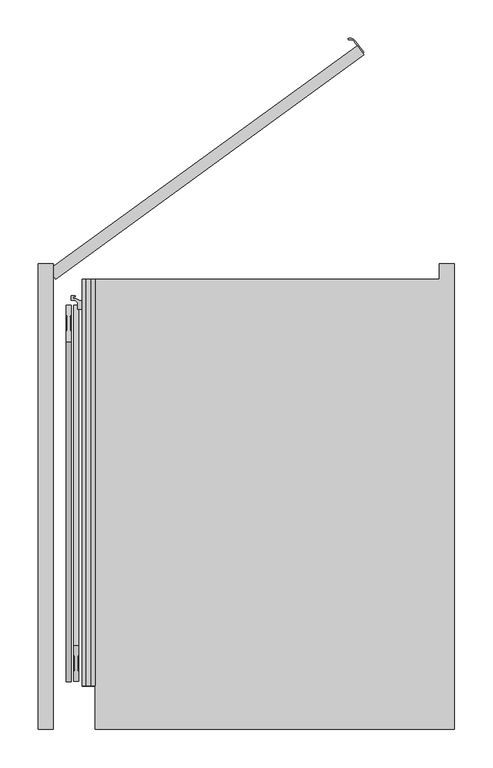
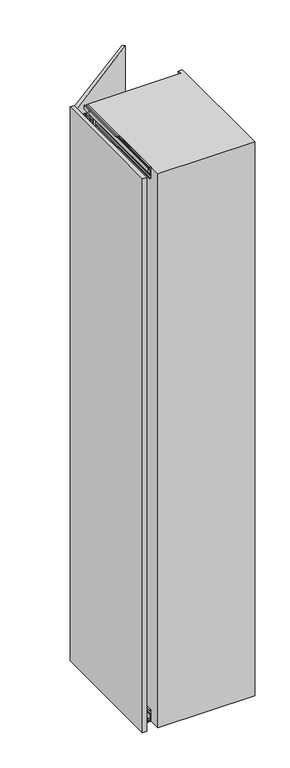
"""IFC4 building model written with IfcOpenShell, lengths in millimetres: furniture geometry."""

from ifc_helpers import new_model, si_unit, point, frame, frame_2d, origin, origin_with_axes, place, context, project, spatial, polyline, circle_curve, trimmed, segment, composite_curve, outline, extrude, faceted_brep, source, transform, mapped, element, save


def furniture_c6e41f44(model_context):
    return source(origin(), model_context, "Body", "SolidModel", [
        extrude(outline(composite_curve([segment(polyline([(350.7451414, 296.3196771), (339.8600452, 311.3017268)]), True, "CONTINUOUS"), segment(trimmed(circle_curve(frame_2d((334.2088338, 307.1958814)), 6.9852814), [point((339.8600452, 311.3017268))], [point((331.7055329, 313.7172034))], True, "CARTESIAN"), True, "CONTINUOUS"), segment(polyline([(331.7055329, 313.7172034), (331.167981, 315.117574)]), True, "CONTINUOUS"), segment(trimmed(circle_curve(frame_2d((334.2088338, 307.1958814)), 8.4852814), [point((331.167981, 315.117574))], [point((341.0735707, 312.1834047))], False, "CARTESIAN"), True, "CONTINUOUS"), segment(polyline([(341.0735707, 312.1834047), (351.9586669, 297.201355), (350.7451414, 296.3196771)]), True, "CONTINUOUS")], self_intersect=False)), frame((0.0, 0.0, 1110.0), z_axis=(0.0, 0.0, 1.0), x_axis=(1.0, 0.0, 0.0)), (0.0, 0.0, 1.0), 180.0),
        extrude(outline(polyline([(-60.8167788, 12.1352549), (343.6917184, 306.0278811), (352.5084972, 293.8926261), (-52.0, 0.0), (-60.8167788, 12.1352549)])), origin_with_axes(), (0.0, 0.0, 1.0), 2846.0),
        extrude(outline(polyline([(17.0, -17.0), (-2.0, -17.0), (-2.0, -12.75), (0.25, -12.75), (0.25, -15.0), (2.9, -15.0), (2.9, -3.0), (0.25, -3.0), (0.25, -5.25), (-2.0, -5.25), (-2.0, 0.0), (56.5663764, 0.0), (57.0913089, -6.0), (54.1547673, -6.0), (54.1547673, -2.5), (38.5, -2.5), (38.5, -6.0), (35.5, -6.0), (35.5, -3.0104888), (5.5, -3.0104888), (5.5, -15.0), (17.0, -15.0), (17.0, -17.0)])), frame((0.0, -533.0, 0.0), z_axis=(0.0, 1.0, 0.0), x_axis=(0.0, 0.0, 1.0)), (0.0, 0.0, 1.0), 533.0),
        extrude(outline(polyline([(2829.0, -15.0), (2840.5, -15.0), (2840.5, -3.0104888), (2810.5, -3.0104888), (2810.5, -6.0), (2807.5, -6.0), (2807.5, -2.5), (2791.8452327, -2.5), (2791.8452327, -6.0), (2788.9086911, -6.0), (2789.4336236, 0.0), (2848.0, 0.0), (2848.0, -5.25), (2845.75, -5.25), (2845.75, -3.0), (2843.1, -3.0), (2843.1, -15.0), (2845.75, -15.0), (2845.75, -12.75), (2848.0, -12.75), (2848.0, -17.0), (2829.0, -17.0), (2829.0, -15.0)])), frame((0.0, -533.0, 0.0), z_axis=(0.0, 1.0, 0.0), x_axis=(0.0, 0.0, 1.0)), (0.0, 0.0, 1.0), 533.0),
        faceted_brep([(-15.8313044, -44.5, 33.9), (-15.8313044, -44.5, 21.9), (-15.8313044, -68.7, 21.9), (-15.8313044, -68.7, 33.9), (-13.8052444, -68.7, 33.9), (-13.8052444, -68.7, 21.9), (-13.8052444, -44.5, 21.9), (-13.8052444, -44.5, 33.9), (-14.2052444, -68.7, 19.301924), (-14.2052444, -68.7, 21.9), (-14.2052444, -44.5, 21.9), (-14.2052444, -44.5, 19.301924), (-10.2052444, -81.5, 21.9), (-7.7858983, -81.5, 21.9), (-3.8052444, -77.5193461, 21.9), (-3.8052444, -35.5, 21.9), (-7.8052444, -31.5, 21.9), (-10.2052444, -31.5, 21.9), (-14.2052444, -35.5, 21.9), (-14.2052444, -77.5, 21.9), (-3.8052444, -70.0, 9.0920874), (-14.2052444, -70.0, 9.0920874), (-14.2052444, -42.8540496, 9.0920874), (-3.8052444, -42.8540496, 9.0920874), (-14.2052444, -77.5, 14.45), (-10.2052444, -81.5, 14.45), (-14.2052444, -70.0, 14.45), (-14.2052444, -35.5, 14.45), (-14.2052444, -42.8540496, 14.45), (-14.2052444, -64.0, 15.2), (-14.2052444, -64.0, 11.4378021), (-14.2052444, -49.0, 11.4378021), (-14.2052444, -49.0, 15.2), (-10.2052444, -31.5, 14.45), (-7.8052444, -31.5, 14.45), (-3.8052444, -35.5, 14.45), (-3.8052444, -77.5193461, 14.45), (-3.8052444, -70.0, 14.45), (-3.8052444, -42.8540496, 14.45), (-3.8052444, -49.0, 15.2), (-3.8052444, -49.0, 11.4378021), (-3.8052444, -64.0, 11.4378021), (-3.8052444, -64.0, 15.2), (-7.7858983, -81.5, 14.45)], [[[0, 1, 2, 3]], [[4, 5, 6, 7]], [[3, 4, 7, 0]], [[3, 2, 8, 9, 5, 4]], [[7, 6, 10, 11, 1, 0]], [[1, 11, 8, 2]], [[12, 13, 14, 15, 16, 17, 18, 10, 6, 5, 9, 19]], [[20, 21, 22, 23]], [[19, 24, 25, 12]], [[21, 26, 24, 19, 9, 8, 11, 10, 18, 27, 28, 22], [29, 30, 31, 32]], [[17, 33, 27, 18]], [[16, 34, 33, 17]], [[15, 35, 34, 16]], [[14, 36, 37, 20, 23, 38, 35, 15], [39, 40, 41, 42]], [[13, 43, 36, 14]], [[12, 25, 43, 13]], [[37, 36, 43, 25, 24, 26]], [[26, 21, 20, 37]], [[29, 32, 39, 42]], [[42, 41, 30, 29]], [[32, 31, 40, 39]], [[28, 27, 33, 34, 35, 38]], [[38, 23, 22, 28]], [[41, 40, 31, 30]]]),
        extrude(outline(composite_curve([segment(trimmed(circle_curve(frame_2d((-9.0052444, -37.1770248)), 5.75), [point((-9.0052444, -42.9270248))], [point((-9.0052444, -31.4270248))], False, "CARTESIAN"), True, "CONTINUOUS"), segment(trimmed(circle_curve(frame_2d((-9.0052444, -37.1770248)), 5.75), [point((-9.0052444, -31.4270248))], [point((-9.0052444, -42.9270248))], False, "CARTESIAN"), True, "CONTINUOUS")], self_intersect=False)), frame((0.0, 0.0, 6.65), z_axis=(0.0, 0.0, 1.0), x_axis=(1.0, 0.0, 0.0)), (0.0, 0.0, 1.0), 7.3),
        extrude(outline(composite_curve([segment(trimmed(circle_curve(frame_2d((-9.0052444, -56.5)), 5.75), [point((-9.0052444, -62.25))], [point((-9.0052444, -50.75))], False, "CARTESIAN"), True, "CONTINUOUS"), segment(trimmed(circle_curve(frame_2d((-9.0052444, -56.5)), 5.75), [point((-9.0052444, -50.75))], [point((-9.0052444, -62.25))], False, "CARTESIAN"), True, "CONTINUOUS")], self_intersect=False)), frame((0.0, 0.0, 11.4378021), z_axis=(0.0, 0.0, 1.0), x_axis=(1.0, 0.0, 0.0)), (0.0, 0.0, 1.0), 3.7621979),
        extrude(outline(composite_curve([segment(trimmed(circle_curve(frame_2d((-9.0052444, -75.75)), 5.75), [point((-9.0052444, -81.5))], [point((-9.0052444, -70.0))], False, "CARTESIAN"), True, "CONTINUOUS"), segment(trimmed(circle_curve(frame_2d((-9.0052444, -75.75)), 5.75), [point((-9.0052444, -70.0))], [point((-9.0052444, -81.5))], False, "CARTESIAN"), True, "CONTINUOUS")], self_intersect=False)), frame((0.0, 0.0, 6.65), z_axis=(0.0, 0.0, 1.0), x_axis=(1.0, 0.0, 0.0)), (0.0, 0.0, 1.0), 7.3),
        faceted_brep([(-15.8313044, -68.5, 2812.1), (-15.8313044, -68.5, 2824.1), (-15.8313044, -44.3, 2824.1), (-15.8313044, -44.3, 2812.1), (-13.8052444, -44.3, 2812.1), (-13.8052444, -44.3, 2824.1), (-13.8052444, -68.5, 2824.1), (-13.8052444, -68.5, 2812.1), (-14.2052444, -44.3, 2826.698076), (-14.2052444, -44.3, 2824.1), (-14.2052444, -68.5, 2824.1), (-14.2052444, -68.5, 2826.698076), (-10.2052444, -31.5, 2824.1), (-7.7858983, -31.5, 2824.1), (-3.8052444, -35.4806539, 2824.1), (-3.8052444, -77.5, 2824.1), (-7.8052444, -81.5, 2824.1), (-10.2052444, -81.5, 2824.1), (-14.2052444, -77.5, 2824.1), (-14.2052444, -35.5, 2824.1), (-3.8052444, -43.0, 2836.9079126), (-14.2052444, -43.0, 2836.9079126), (-14.2052444, -70.1459504, 2836.9079126), (-3.8052444, -70.1459504, 2836.9079126), (-14.2052444, -35.5, 2831.55), (-10.2052444, -31.5, 2831.55), (-14.2052444, -43.0, 2831.55), (-14.2052444, -77.5, 2831.55), (-14.2052444, -70.1459504, 2831.55), (-14.2052444, -49.0, 2830.8), (-14.2052444, -49.0, 2834.5621979), (-14.2052444, -64.0, 2834.5621979), (-14.2052444, -64.0, 2830.8), (-10.2052444, -81.5, 2831.55), (-7.8052444, -81.5, 2831.55), (-3.8052444, -77.5, 2831.55), (-3.8052444, -35.4806539, 2831.55), (-3.8052444, -43.0, 2831.55), (-3.8052444, -70.1459504, 2831.55), (-3.8052444, -64.0, 2830.8), (-3.8052444, -64.0, 2834.5621979), (-3.8052444, -49.0, 2834.5621979), (-3.8052444, -49.0, 2830.8), (-7.7858983, -31.5, 2831.55)], [[[0, 1, 2, 3]], [[4, 5, 6, 7]], [[3, 4, 7, 0]], [[3, 2, 8, 9, 5, 4]], [[7, 6, 10, 11, 1, 0]], [[1, 11, 8, 2]], [[12, 13, 14, 15, 16, 17, 18, 10, 6, 5, 9, 19]], [[20, 21, 22, 23]], [[19, 24, 25, 12]], [[21, 26, 24, 19, 9, 8, 11, 10, 18, 27, 28, 22], [29, 30, 31, 32]], [[17, 33, 27, 18]], [[16, 34, 33, 17]], [[15, 35, 34, 16]], [[14, 36, 37, 20, 23, 38, 35, 15], [39, 40, 41, 42]], [[13, 43, 36, 14]], [[12, 25, 43, 13]], [[37, 36, 43, 25, 24, 26]], [[26, 21, 20, 37]], [[29, 32, 39, 42]], [[42, 41, 30, 29]], [[32, 31, 40, 39]], [[28, 27, 33, 34, 35, 38]], [[38, 23, 22, 28]], [[41, 40, 31, 30]]]),
        extrude(outline(composite_curve([segment(trimmed(circle_curve(frame_2d((-9.0052444, -75.8229752)), 5.75), [point((-9.0052444, -70.0729752))], [point((-9.0052444, -81.5729752))], False, "CARTESIAN"), True, "CONTINUOUS"), segment(trimmed(circle_curve(frame_2d((-9.0052444, -75.8229752)), 5.75), [point((-9.0052444, -81.5729752))], [point((-9.0052444, -70.0729752))], False, "CARTESIAN"), True, "CONTINUOUS")], self_intersect=False)), frame((0.0, 0.0, 2832.05), z_axis=(0.0, 0.0, 1.0), x_axis=(1.0, 0.0, 0.0)), (0.0, 0.0, 1.0), 7.3),
        extrude(outline(composite_curve([segment(trimmed(circle_curve(frame_2d((-9.0052444, -56.5)), 5.75), [point((-9.0052444, -50.75))], [point((-9.0052444, -62.25))], False, "CARTESIAN"), True, "CONTINUOUS"), segment(trimmed(circle_curve(frame_2d((-9.0052444, -56.5)), 5.75), [point((-9.0052444, -62.25))], [point((-9.0052444, -50.75))], False, "CARTESIAN"), True, "CONTINUOUS")], self_intersect=False)), frame((0.0, 0.0, 2830.8), z_axis=(0.0, 0.0, 1.0), x_axis=(1.0, 0.0, 0.0)), (0.0, 0.0, 1.0), 3.7621979),
        extrude(outline(composite_curve([segment(trimmed(circle_curve(frame_2d((-9.0052444, -37.25)), 5.75), [point((-9.0052444, -31.5))], [point((-9.0052444, -43.0))], False, "CARTESIAN"), True, "CONTINUOUS"), segment(trimmed(circle_curve(frame_2d((-9.0052444, -37.25)), 5.75), [point((-9.0052444, -43.0))], [point((-9.0052444, -31.5))], False, "CARTESIAN"), True, "CONTINUOUS")], self_intersect=False)), frame((0.0, 0.0, 2832.05), z_axis=(0.0, 0.0, 1.0), x_axis=(1.0, 0.0, 0.0)), (0.0, 0.0, 1.0), 7.3),
        extrude(outline(polyline([(-8.4980052, -11.2885509), (-7.0980161, -8.7447792), (-7.0980161, 8.7447792), (-8.4980052, 11.2885509), (-8.4980052, 24.9437822), (-1.5019948, 24.9437822), (-1.5019948, 11.2885509), (-2.9019839, 8.7447792), (-2.9019839, -8.7447792), (-1.5019948, -11.2885509), (-1.5019948, -24.9437822), (-8.4980052, -24.9437822), (-8.4980052, -11.2885509)])), frame((-30.0, -503.0, 263.0), z_axis=(0.0, 0.2968216785838769, 0.9549329249338142), x_axis=(1.0, 0.0, 0.0)), (0.0, 0.0, 1.0), 1500.0),
        extrude(outline(polyline([(1.5019948, 11.2885509), (1.5019948, 24.9437822), (8.4980052, 24.9437822), (8.4980052, 11.2885509), (7.0980161, 8.7447792), (7.0980161, -8.7447792), (8.4980052, -11.2885509), (8.4980052, -24.9437823), (1.5019948, -24.9437823), (1.5019948, -11.2885509), (2.9019839, -8.7447792), (2.9019839, 8.7447792), (1.5019948, 11.2885509)])), frame((-30.0, -57.7674821, 330.6006126), z_axis=(0.0, -0.29682167858387626, 0.9549329249338144), x_axis=(1.0, 0.0, 0.0)), (0.0, 0.0, 1.0), 1500.0),
        extrude(outline(polyline([(-14.6, -76.0), (-14.6, -68.7), (-12.2, -68.7), (-12.2, -72.2), (-9.6, -72.2), (-9.6, -64.5), (-10.6, -63.5), (-10.6, -49.5), (-9.6, -48.5), (-9.6, -40.8), (-12.2, -40.8), (-12.2, -44.3), (-14.6, -44.3), (-14.6, -39.5), (-23.35, -39.5), (-23.35, -31.0), (-26.35, -28.0), (-31.6, -28.0), (-31.6, -21.5), (-26.3, -21.5), (-26.3, -23.2), (-29.1, -23.2), (-29.1, -25.5), (-25.2566983, -25.5), (-21.16538, -27.407813), (-15.99707, -29.2889243), (-14.7999998, -26.0), (-11.1, -26.0), (-10.1, -25.0), (-9.1, -25.0), (-9.1, -30.5928201), (-12.6, -28.5720943), (-12.6, -34.5), (-11.1, -36.0), (-8.85, -36.0), (-6.85, -38.0), (-6.85, -76.0), (-14.6, -76.0)])), frame((0.0, 0.0, 21.9), z_axis=(0.0, 0.0, 1.0), x_axis=(1.0, 0.0, 0.0)), (0.0, 0.0, 1.0), 2802.2),
        extrude(outline(polyline([(-75.0, -590.0), (-75.0, 20.0), (-55.0, 20.0), (-55.0, -590.0), (-75.0, -590.0)])), origin_with_axes(), (0.0, 0.0, 1.0), 2848.0),
        extrude(outline(polyline([(451.0, 0.0), (451.0, 20.0), (471.0, 20.0), (471.0, -590.0), (0.0, -590.0), (0.0, 0.0), (451.0, 0.0)])), frame((0.0, 0.0, -2.0), z_axis=(0.0, 0.0, 1.0), x_axis=(1.0, 0.0, 0.0)), (0.0, 0.0, 1.0), 2850.0),
    ])


if __name__ == "__main__":
    model = new_model("IFC4")
    model_context = context("Model", 3, world=origin())
    ifc_project = project(units=[si_unit("LENGTHUNIT", "METRE", prefix="MILLI")], contexts=[model_context])
    site = spatial("IfcSite", under=ifc_project)
    building = spatial("IfcBuilding", under=site)
    placement = place(None, origin())
    furniture_shape = furniture_c6e41f44(model_context)
    element("IfcFurniture", 1, at=placement, inside=building, context=model_context, shape_type="MappedRepresentation", body=[
        mapped(furniture_shape, transform((0.0, 0.0, 0.0), x_axis=(1.0, 0.0, 0.0), y_axis=(0.0, 1.0, 0.0), z_axis=(0.0, 0.0, 1.0))),
    ])
    save(model, "model.ifc")
